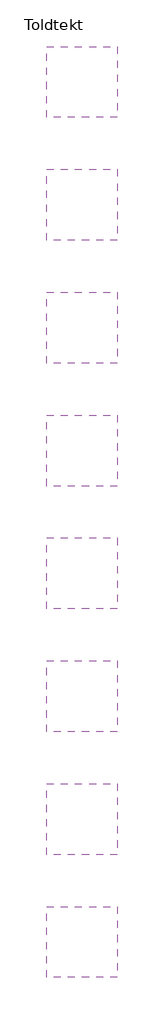
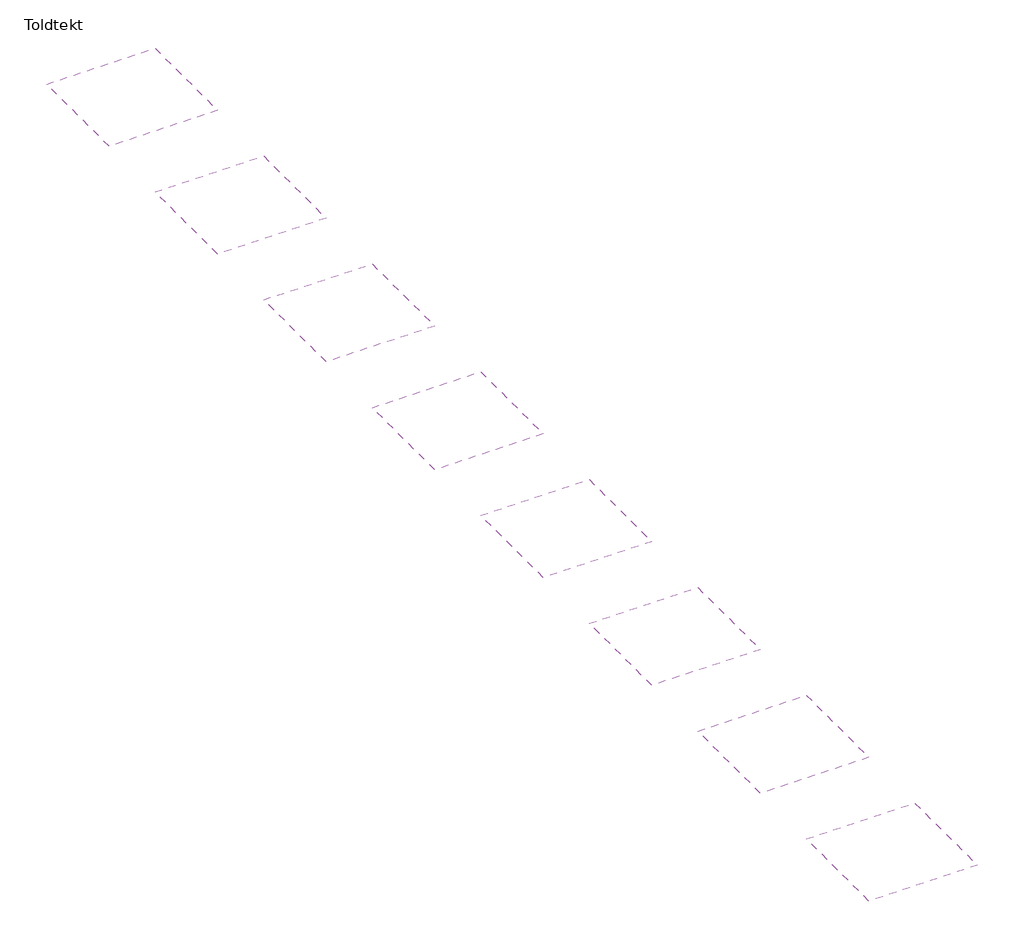
# One storey: 8 coverings.
"""IFC4 building model written with IfcOpenShell, lengths in millimetres."""

import ifcopenshell
import ifcopenshell.guid

model = None  # the IFC model being written
_history = None  # IfcOwnerHistory: only IFC2X3 demands one
_inside = {}  # id of a spatial element -> (the spatial element, [elements in it])
_under = {}  # id of a project, library or spatial element -> (it, [spatial elements below it])
_declared = {}  # id of a project -> (the project, [libraries it declares])
_typed = {}  # id of a type object -> (the type object, [elements of that type])
_made_of = {}  # id of a material, layer set ... -> (it, [elements and type objects made of it])


def new_model(schema):
    """Start an empty IFC model of exactly this schema.

    Asked for "IFC4X3", IfcOpenShell would pick the latest addendum, in which some entities
    have other attributes; the version numbers below select the first issue.
    IFC2X3 requires an IfcOwnerHistory on every rooted entity: one is made here for all.
    """
    global model, _history
    if schema == "IFC4X3":
        model = ifcopenshell.file(schema_version=(4, 3, 0, 0))
    else:
        model = ifcopenshell.file(schema=schema)
    _inside.clear()
    _under.clear()
    _declared.clear()
    _typed.clear()
    _made_of.clear()
    _history = None
    if model.schema == "IFC2X3":
        org = make("IfcOrganization", Name="unknown")
        user = make(
            "IfcPersonAndOrganization",
            ThePerson=make("IfcPerson", FamilyName="unknown"),
            TheOrganization=org,
        )
        app = make(
            "IfcApplication",
            ApplicationDeveloper=org,
            Version="unknown",
            ApplicationFullName="unknown",
            ApplicationIdentifier="unknown",
        )
        _history = make(
            "IfcOwnerHistory",
            OwningUser=user,
            OwningApplication=app,
            ChangeAction="ADDED",
            CreationDate=0,
        )
    return model


def make(cls, **values):
    """One entity of the class cls with the attributes given. An attribute that is None is left unset."""
    return model.create_entity(
        cls, **{name: value for name, value in values.items() if value is not None}
    )


def rooted(cls, **values):
    """An entity with a GlobalId (a new one), such as an element, a storey or a relation."""
    return make(cls, GlobalId=ifcopenshell.guid.new(), OwnerHistory=_history, **values)


def si_unit(unit_type, name, prefix=None):
    """IfcSIUnit, for example si_unit("LENGTHUNIT", "METRE", prefix="MILLI")."""
    return make("IfcSIUnit", UnitType=unit_type, Prefix=prefix, Name=name)


def assignment(units):
    """IfcUnitAssignment: the units of a project."""
    return None if units is None else make("IfcUnitAssignment", Units=units)


def point(xyz):
    """IfcCartesianPoint."""
    return None if xyz is None else make("IfcCartesianPoint", Coordinates=xyz)


def direction(xyz):
    """IfcDirection."""
    return None if xyz is None else make("IfcDirection", DirectionRatios=xyz)


def frame(location, z_axis=None, x_axis=None):
    """IfcAxis2Placement3D, a coordinate frame: its origin and axes. An axis left out is left unset."""
    return make(
        "IfcAxis2Placement3D",
        Location=point(location),
        Axis=direction(z_axis),
        RefDirection=direction(x_axis),
    )


def origin():
    """The frame at (0, 0, 0) with its axes left unset."""
    return frame((0.0, 0.0, 0.0))


def place(relative_to, where):
    """IfcLocalPlacement: puts the frame where relative to a parent placement (None: the world)."""
    return make(
        "IfcLocalPlacement", PlacementRelTo=relative_to, RelativePlacement=where
    )


def context(
    kind, dimensions, precision=None, world=None, true_north=None, identifier=None
):
    """IfcGeometricRepresentationContext, for example the 3D "Model" context."""
    return make(
        "IfcGeometricRepresentationContext",
        ContextIdentifier=identifier,
        ContextType=kind,
        CoordinateSpaceDimension=dimensions,
        Precision=precision,
        WorldCoordinateSystem=world,
        TrueNorth=true_north,
    )


def project(units=None, contexts=None):
    """IfcProject with its units and contexts."""
    return rooted(
        "IfcProject",
        Name="project",
        RepresentationContexts=contexts,
        UnitsInContext=assignment(units),
    )


def spatial(cls, under=None, at=None, **own):
    """A site, building, storey or space (cls), placed at a placement, below another one or the project."""
    s = rooted(cls, ObjectPlacement=at, **own)
    if under is not None:
        _under.setdefault(under.id(), (under, []))[1].append(s)
    return s


def polyline(points):
    """IfcPolyline through the points."""
    return make("IfcPolyline", Points=[point(p) for p in points])


def outline(outer, holes=None, kind="AREA"):
    """IfcArbitraryClosedProfileDef: a profile drawn as a closed curve; with holes, ...WithVoids."""
    if holes is None:
        return make("IfcArbitraryClosedProfileDef", ProfileType=kind, OuterCurve=outer)
    return make(
        "IfcArbitraryProfileDefWithVoids",
        ProfileType=kind,
        OuterCurve=outer,
        InnerCurves=holes,
    )


def extrude(swept, where, along, depth):
    """IfcExtrudedAreaSolid: the profile swept, set in the frame where, extruded along a direction by depth."""
    return make(
        "IfcExtrudedAreaSolid",
        SweptArea=swept,
        Position=where,
        ExtrudedDirection=direction(along),
        Depth=depth,
    )


def shape(context_of_items, identifier, shape_type, items):
    """IfcShapeRepresentation: the items that make up one representation, for example the "Body"."""
    return make(
        "IfcShapeRepresentation",
        ContextOfItems=context_of_items,
        RepresentationIdentifier=identifier,
        RepresentationType=shape_type,
        Items=items,
    )


def made_of(thing, what):
    """Note that an element or type object is made of a material, layer set ...; save() writes the relation."""
    if what is not None:
        _made_of.setdefault(what.id(), (what, []))[1].append(thing)
    return thing


def element(
    cls,
    number,
    at=None,
    inside=None,
    cuts=None,
    type_object=None,
    material=None,
    context=None,
    identifier="Body",
    shape_type=None,
    held_by="IfcProductDefinitionShape",
    body=None,
    shapes=None,
    **own,
):
    """One element of the class cls, such as IfcWall. Its Tag is "e" and its number.

    at: its placement. inside: the storey or other place that contains it. cuts: it is an
    opening in that element (IfcRelVoidsElement). A single representation is given by context,
    identifier, shape_type and body (its items); several are given by shapes. held_by: the class
    of the entity that holds the representations. save() writes the other relations.
    """
    e = rooted(cls, Tag="e%d" % number, ObjectPlacement=at, **own)
    if body is not None:
        shapes = [shape(context, identifier, shape_type, body)]
    if shapes is not None:
        e.Representation = make(held_by, Representations=shapes)
    if inside is not None:
        _inside.setdefault(inside.id(), (inside, []))[1].append(e)
    if cuts is not None:
        rooted(
            "IfcRelVoidsElement", RelatingBuildingElement=cuts, RelatedOpeningElement=e
        )
    if type_object is not None:
        _typed.setdefault(type_object.id(), (type_object, []))[1].append(e)
    return made_of(e, material)


def aggregate(whole, parts):
    """IfcRelAggregates: a whole, such as a stair, and the parts it consists of."""
    return rooted("IfcRelAggregates", RelatingObject=whole, RelatedObjects=parts)


def save(model, path):
    """Write the relations noted so far, then the file.

    IfcRelAggregates (storeys below a building ...), IfcRelContainedInSpatialStructure (elements
    in a storey), IfcRelDefinesByType, IfcRelAssociatesMaterial and IfcRelDeclares: one each for
    every whole, place, type object, material and project.
    """
    for whole, parts in _under.values():
        aggregate(whole, parts)
    for where, things in _inside.values():
        rooted(
            "IfcRelContainedInSpatialStructure",
            RelatedElements=things,
            RelatingStructure=where,
        )
    for kind, things in _typed.values():
        rooted("IfcRelDefinesByType", RelatedObjects=things, RelatingType=kind)
    for what, things in _made_of.values():
        rooted("IfcRelAssociatesMaterial", RelatedObjects=things, RelatingMaterial=what)
    for by, libraries in _declared.values():
        rooted("IfcRelDeclares", RelatingContext=by, RelatedDefinitions=libraries)
    model.write(path)


model = new_model("IFC4")

# Units and contexts
model_context = context("Model", 3, world=origin())
ifc_project = project(units=[si_unit("LENGTHUNIT", "METRE", prefix="MILLI")], contexts=[model_context])

# Site, building, storey
site = spatial("IfcSite", under=ifc_project)
building = spatial("IfcBuilding", under=site)
storey = spatial("IfcBuildingStorey", under=building, Name="Toldtekt", Elevation=0.0)

# Coverings
placement = place(None, origin())
element("IfcCovering", 1, ObjectType="Troldtekt_wood_25mm, 600X1200 running bond", at=placement, inside=storey, context=model_context, shape_type="SweptSolid", body=[
    extrude(outline(polyline([(17169.5723108, 24163.0097108), (17169.5723108, 21163.0097108), (14169.5723108, 21163.0097108), (14169.5723108, 24163.0097108), (17169.5723108, 24163.0097108)])), frame((0.0, 0.0, 2600.0), z_axis=(0.0, 0.0, 1.0), x_axis=(1.0, 0.0, 0.0)), (0.0, 0.0, 1.0), 47.0),
])
element("IfcCovering", 2, ObjectType="Troldtekt_wood_25mm, 600X1200 stack bond", at=placement, inside=storey, context=model_context, shape_type="SweptSolid", body=[
    extrude(outline(polyline([(17169.5723108, 18963.021805), (17169.5723108, 15963.021805), (14169.5723108, 15963.021805), (14169.5723108, 18963.021805), (17169.5723108, 18963.021805)])), frame((0.0, 0.0, 2600.0), z_axis=(0.0, 0.0, 1.0), x_axis=(1.0, 0.0, 0.0)), (0.0, 0.0, 1.0), 47.0),
])
element("IfcCovering", 3, ObjectType="Troldtekt_wood_25mm, 600X2000 running bond", at=placement, inside=storey, context=model_context, shape_type="SweptSolid", body=[
    extrude(outline(polyline([(17169.5723108, 13763.0338993), (17169.5723108, 10763.0338993), (14169.5723108, 10763.0338993), (14169.5723108, 13763.0338993), (17169.5723108, 13763.0338993)])), frame((0.0, 0.0, 2600.0), z_axis=(0.0, 0.0, 1.0), x_axis=(1.0, 0.0, 0.0)), (0.0, 0.0, 1.0), 47.0),
])
element("IfcCovering", 4, ObjectType="Troldtekt_wood_25mm, 600X2000 stack bond", at=placement, inside=storey, context=model_context, shape_type="SweptSolid", body=[
    extrude(outline(polyline([(17169.5723108, 8563.0459935), (17169.5723108, 5563.0459935), (14169.5723108, 5563.0459935), (14169.5723108, 8563.0459935), (17169.5723108, 8563.0459935)])), frame((0.0, 0.0, 2600.0), z_axis=(0.0, 0.0, 1.0), x_axis=(1.0, 0.0, 0.0)), (0.0, 0.0, 1.0), 47.0),
])
element("IfcCovering", 5, ObjectType="Troldtekt_wood_25mm, 600X2400 running bond", at=placement, inside=storey, context=model_context, shape_type="SweptSolid", body=[
    extrude(outline(polyline([(17169.5723108, 3363.0580878), (17169.5723108, 363.0580878), (14169.5723108, 363.0580878), (14169.5723108, 3363.0580878), (17169.5723108, 3363.0580878)])), frame((0.0, 0.0, 2600.0), z_axis=(0.0, 0.0, 1.0), x_axis=(1.0, 0.0, 0.0)), (0.0, 0.0, 1.0), 47.0),
])
element("IfcCovering", 6, ObjectType="Troldtekt_wood_25mm, 600X2400 stack bond", at=placement, inside=storey, context=model_context, shape_type="SweptSolid", body=[
    extrude(outline(polyline([(17169.5723108, -1836.929818), (17169.5723108, -4836.929818), (14169.5723108, -4836.929818), (14169.5723108, -1836.929818), (17169.5723108, -1836.929818)])), frame((0.0, 0.0, 2600.0), z_axis=(0.0, 0.0, 1.0), x_axis=(1.0, 0.0, 0.0)), (0.0, 0.0, 1.0), 47.0),
])
element("IfcCovering", 7, ObjectType="Troldtekt_wood_25mm, 600X600 running bond", at=placement, inside=storey, context=model_context, shape_type="SweptSolid", body=[
    extrude(outline(polyline([(17169.5723108, 34562.9855223), (17169.5723108, 31562.9855223), (14169.5723108, 31562.9855223), (14169.5723108, 34562.9855223), (17169.5723108, 34562.9855223)])), frame((0.0, 0.0, 2600.0), z_axis=(0.0, 0.0, 1.0), x_axis=(1.0, 0.0, 0.0)), (0.0, 0.0, 1.0), 47.0),
])
element("IfcCovering", 8, ObjectType="Troldtekt_wood_25mm, 600X600 stack bond", at=placement, inside=storey, context=model_context, shape_type="SweptSolid", body=[
    extrude(outline(polyline([(17169.5723108, 29362.9976165), (17169.5723108, 26362.9976165), (14169.5723108, 26362.9976165), (14169.5723108, 29362.9976165), (17169.5723108, 29362.9976165)])), frame((0.0, 0.0, 2600.0), z_axis=(0.0, 0.0, 1.0), x_axis=(1.0, 0.0, 0.0)), (0.0, 0.0, 1.0), 47.0),
])

save(model, "model.ifc")
